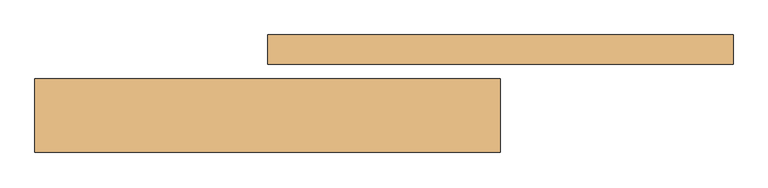
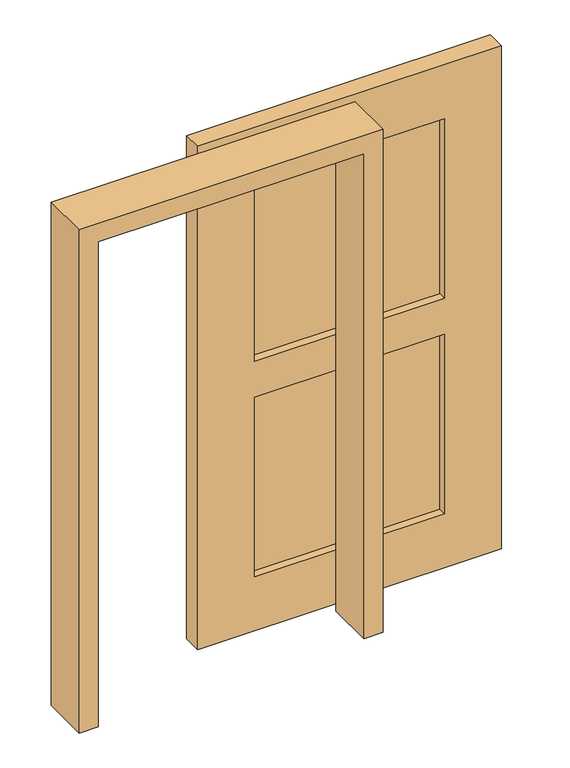
"""IFC4 building model written with IfcOpenShell, lengths in millimetres: door geometry."""

from ifc_helpers import new_model, si_unit, frame, origin, place, context, project, spatial, polyline, outline, extrude, source, transform, mapped, element, save


def door_c0b60eb2(model_context):
    return source(origin(), model_context, "Body", "SweptSolid", [
        extrude(outline(polyline([(990.6, 167.7876379), (228.6, 167.7876379), (228.6, 178.2873621), (990.6, 178.2873621), (990.6, 167.7876379)])), frame((0.0, 0.0, 1143.0), z_axis=(0.0, 0.0, 1.0), x_axis=(1.0, 0.0, 0.0)), (0.0, 0.0, 1.0), 762.0),
        extrude(outline(polyline([(990.6, 167.7876379), (228.6, 167.7876379), (228.6, 178.2873621), (990.6, 178.2873621), (990.6, 167.7876379)])), frame((0.0, 0.0, 228.6), z_axis=(0.0, 0.0, 1.0), x_axis=(1.0, 0.0, 0.0)), (0.0, 0.0, 1.0), 762.0),
        extrude(outline(polyline([(0.0, 1219.1773827), (2133.6, 1219.1773827), (2133.6, 0.0), (0.0, 0.0), (0.0, 1219.1773827)]), holes=[polyline([(228.6, 228.6), (990.6, 228.6), (990.6, 990.6), (228.6, 990.6), (228.6, 228.6)]), polyline([(1905.0, 228.6), (1905.0, 990.6), (1143.0, 990.6), (1143.0, 228.6), (1905.0, 228.6)])]), frame((0.0, 134.9375, 0.0), z_axis=(0.0, 1.0, 0.0), x_axis=(0.0, 0.0, 1.0)), (0.0, 0.0, 1.0), 76.2),
        extrude(outline(polyline([(2057.4, -533.4), (2057.4, 533.4), (0.0, 533.4), (0.0, 609.6), (2133.6, 609.6), (2133.6, -609.6), (0.0, -609.6), (0.0, -533.4), (2057.4, -533.4)])), frame((0.0, -96.8375, 0.0), z_axis=(0.0, 1.0, 0.0), x_axis=(0.0, 0.0, 1.0)), (0.0, 0.0, 1.0), 193.675),
    ])


if __name__ == "__main__":
    model = new_model("IFC4")
    model_context = context("Model", 3, world=origin())
    ifc_project = project(units=[si_unit("LENGTHUNIT", "METRE", prefix="MILLI")], contexts=[model_context])
    site = spatial("IfcSite", under=ifc_project)
    building = spatial("IfcBuilding", under=site)
    placement = place(None, origin())
    door_shape = door_c0b60eb2(model_context)
    element("IfcDoor", 1, at=placement, inside=building, context=model_context, shape_type="MappedRepresentation", body=[
        mapped(door_shape, transform((0.0, 0.0, 0.0), x_axis=(1.0, 0.0, 0.0), y_axis=(0.0, 1.0, 0.0), z_axis=(0.0, 0.0, 1.0))),
    ])
    save(model, "model.ifc")
